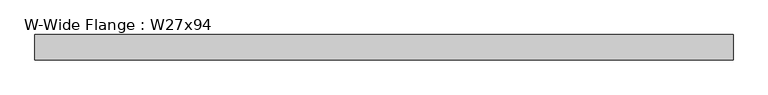
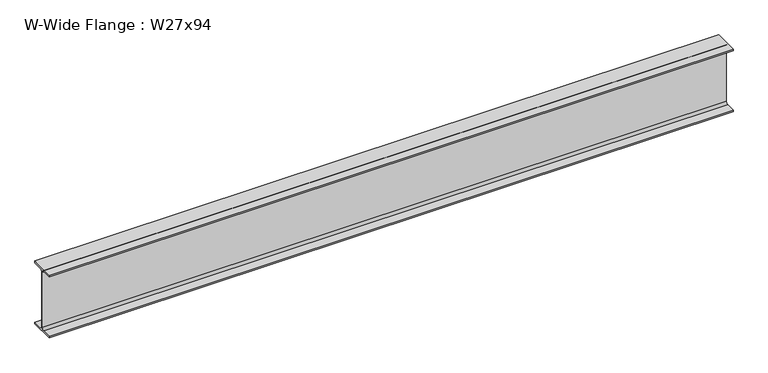
"""IFC4 building model written with IfcOpenShell, lengths in millimetres: beam geometry, W-Wide Flange : W27x94."""

from ifc_helpers import new_model, si_unit, point, frame, frame_2d, origin, place, context, project, spatial, polyline, circle_curve, trimmed, segment, composite_curve, outline, extrude, source, transform, mapped, element, save


def w_wide_flange_w27x94_9b905ddd(model_context):
    return source(origin(), model_context, "Body", "SweptSolid", [
        extrude(outline(composite_curve([segment(polyline([(127.0, -322.707), (127.0, -341.63), (-127.0, -341.63), (-127.0, -322.707), (-28.575, -322.707)]), True, "CONTINUOUS"), segment(trimmed(circle_curve(frame_2d((-28.575, -300.355)), 22.352), [point((-28.575, -322.707))], [point((-6.223, -300.355))], True, "CARTESIAN"), True, "CONTINUOUS"), segment(polyline([(-6.223, -300.355), (-6.223, 300.355)]), True, "CONTINUOUS"), segment(trimmed(circle_curve(frame_2d((-28.575, 300.355)), 22.352), [point((-6.223, 300.355))], [point((-28.575, 322.707))], True, "CARTESIAN"), True, "CONTINUOUS"), segment(polyline([(-28.575, 322.707), (-127.0, 322.707), (-127.0, 341.63), (127.0, 341.63), (127.0, 322.707), (28.575, 322.707)]), True, "CONTINUOUS"), segment(trimmed(circle_curve(frame_2d((28.575, 300.355)), 22.352), [point((28.575, 322.707))], [point((6.223, 300.355))], True, "CARTESIAN"), True, "CONTINUOUS"), segment(polyline([(6.223, 300.355), (6.223, -300.355)]), True, "CONTINUOUS"), segment(trimmed(circle_curve(frame_2d((28.575, -300.355)), 22.352), [point((6.223, -300.355))], [point((28.575, -322.707))], True, "CARTESIAN"), True, "CONTINUOUS"), segment(polyline([(28.575, -322.707), (127.0, -322.707)]), True, "CONTINUOUS")], self_intersect=False)), frame((-3515.36, 0.0, 0.0), z_axis=(1.0, 0.0, 0.0), x_axis=(0.0, 1.0, 0.0)), (0.0, 0.0, 1.0), 7030.72),
    ])


if __name__ == "__main__":
    model = new_model("IFC4")
    model_context = context("Model", 3, world=origin())
    ifc_project = project(units=[si_unit("LENGTHUNIT", "METRE", prefix="MILLI")], contexts=[model_context])
    site = spatial("IfcSite", under=ifc_project)
    building = spatial("IfcBuilding", under=site)
    placement = place(None, origin())
    w_wide_flange_w27x94_shape = w_wide_flange_w27x94_9b905ddd(model_context)
    element("IfcBeam", 1, ObjectType="W-Wide Flange : W27x94", at=placement, inside=building, context=model_context, shape_type="MappedRepresentation", body=[
        mapped(w_wide_flange_w27x94_shape, transform((0.0, 0.0, 0.0), x_axis=(1.0, 0.0, 0.0), y_axis=(0.0, 1.0, 0.0), z_axis=(0.0, 0.0, 1.0))),
    ])
    save(model, "model.ifc")
